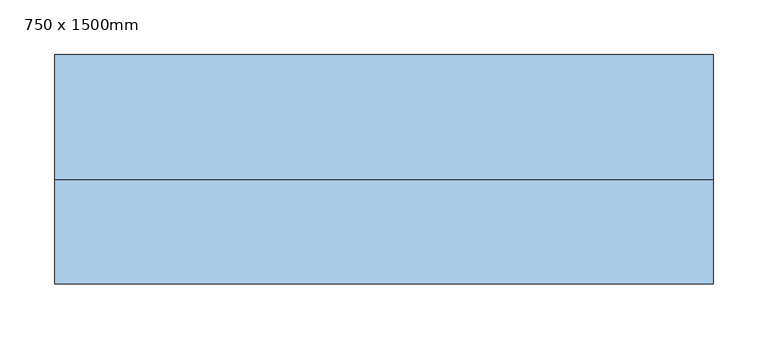
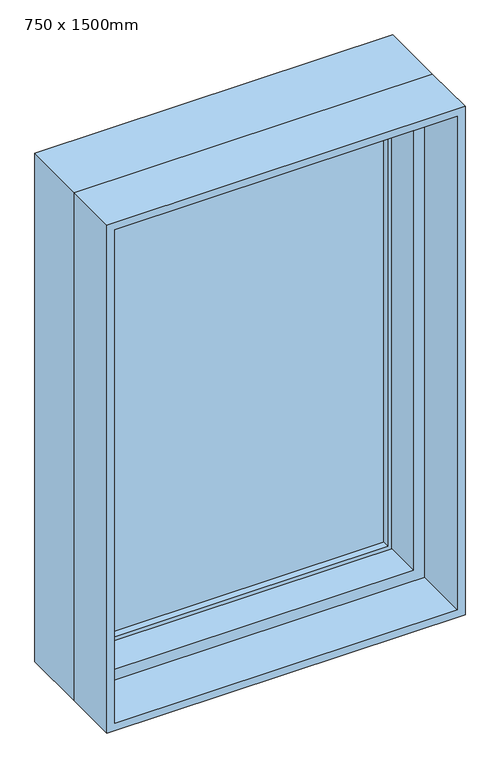
"""IFC4 building model written with IfcOpenShell, lengths in millimetres: window geometry, 750 x 1500mm."""

import ifcopenshell
import ifcopenshell.guid

model = None  # the IFC model being written
_history = None  # IfcOwnerHistory: only IFC2X3 demands one
_inside = {}  # id of a spatial element -> (the spatial element, [elements in it])
_under = {}  # id of a project, library or spatial element -> (it, [spatial elements below it])
_declared = {}  # id of a project -> (the project, [libraries it declares])
_typed = {}  # id of a type object -> (the type object, [elements of that type])
_made_of = {}  # id of a material, layer set ... -> (it, [elements and type objects made of it])


def new_model(schema):
    """Start an empty IFC model of exactly this schema.

    Asked for "IFC4X3", IfcOpenShell would pick the latest addendum, in which some entities
    have other attributes; the version numbers below select the first issue.
    IFC2X3 requires an IfcOwnerHistory on every rooted entity: one is made here for all.
    """
    global model, _history
    if schema == "IFC4X3":
        model = ifcopenshell.file(schema_version=(4, 3, 0, 0))
    else:
        model = ifcopenshell.file(schema=schema)
    _inside.clear()
    _under.clear()
    _declared.clear()
    _typed.clear()
    _made_of.clear()
    _history = None
    if model.schema == "IFC2X3":
        org = make("IfcOrganization", Name="unknown")
        user = make(
            "IfcPersonAndOrganization",
            ThePerson=make("IfcPerson", FamilyName="unknown"),
            TheOrganization=org,
        )
        app = make(
            "IfcApplication",
            ApplicationDeveloper=org,
            Version="unknown",
            ApplicationFullName="unknown",
            ApplicationIdentifier="unknown",
        )
        _history = make(
            "IfcOwnerHistory",
            OwningUser=user,
            OwningApplication=app,
            ChangeAction="ADDED",
            CreationDate=0,
        )
    return model


def make(cls, **values):
    """One entity of the class cls with the attributes given. An attribute that is None is left unset."""
    return model.create_entity(
        cls, **{name: value for name, value in values.items() if value is not None}
    )


def rooted(cls, **values):
    """An entity with a GlobalId (a new one), such as an element, a storey or a relation."""
    return make(cls, GlobalId=ifcopenshell.guid.new(), OwnerHistory=_history, **values)


def si_unit(unit_type, name, prefix=None):
    """IfcSIUnit, for example si_unit("LENGTHUNIT", "METRE", prefix="MILLI")."""
    return make("IfcSIUnit", UnitType=unit_type, Prefix=prefix, Name=name)


def assignment(units):
    """IfcUnitAssignment: the units of a project."""
    return None if units is None else make("IfcUnitAssignment", Units=units)


def point(xyz):
    """IfcCartesianPoint."""
    return None if xyz is None else make("IfcCartesianPoint", Coordinates=xyz)


def direction(xyz):
    """IfcDirection."""
    return None if xyz is None else make("IfcDirection", DirectionRatios=xyz)


def frame(location, z_axis=None, x_axis=None):
    """IfcAxis2Placement3D, a coordinate frame: its origin and axes. An axis left out is left unset."""
    return make(
        "IfcAxis2Placement3D",
        Location=point(location),
        Axis=direction(z_axis),
        RefDirection=direction(x_axis),
    )


def origin():
    """The frame at (0, 0, 0) with its axes left unset."""
    return frame((0.0, 0.0, 0.0))


def place(relative_to, where):
    """IfcLocalPlacement: puts the frame where relative to a parent placement (None: the world)."""
    return make(
        "IfcLocalPlacement", PlacementRelTo=relative_to, RelativePlacement=where
    )


def context(
    kind, dimensions, precision=None, world=None, true_north=None, identifier=None
):
    """IfcGeometricRepresentationContext, for example the 3D "Model" context."""
    return make(
        "IfcGeometricRepresentationContext",
        ContextIdentifier=identifier,
        ContextType=kind,
        CoordinateSpaceDimension=dimensions,
        Precision=precision,
        WorldCoordinateSystem=world,
        TrueNorth=true_north,
    )


def project(units=None, contexts=None):
    """IfcProject with its units and contexts."""
    return rooted(
        "IfcProject",
        Name="project",
        RepresentationContexts=contexts,
        UnitsInContext=assignment(units),
    )


def spatial(cls, under=None, at=None, **own):
    """A site, building, storey or space (cls), placed at a placement, below another one or the project."""
    s = rooted(cls, ObjectPlacement=at, **own)
    if under is not None:
        _under.setdefault(under.id(), (under, []))[1].append(s)
    return s


def polyline(points):
    """IfcPolyline through the points."""
    return make("IfcPolyline", Points=[point(p) for p in points])


def outline(outer, holes=None, kind="AREA"):
    """IfcArbitraryClosedProfileDef: a profile drawn as a closed curve; with holes, ...WithVoids."""
    if holes is None:
        return make("IfcArbitraryClosedProfileDef", ProfileType=kind, OuterCurve=outer)
    return make(
        "IfcArbitraryProfileDefWithVoids",
        ProfileType=kind,
        OuterCurve=outer,
        InnerCurves=holes,
    )


def extrude(swept, where, along, depth):
    """IfcExtrudedAreaSolid: the profile swept, set in the frame where, extruded along a direction by depth."""
    return make(
        "IfcExtrudedAreaSolid",
        SweptArea=swept,
        Position=where,
        ExtrudedDirection=direction(along),
        Depth=depth,
    )


def faces_of(points, faces, orient=None, outer=None):
    """IfcFace entities. A face is a list of loops; a loop is a list of indices into points, from 0.

    orient and outer hold one flag for each loop. By default every Orientation is true, the
    first loop of a face is its IfcFaceOuterBound and the others are IfcFaceBound.
    """
    made = []
    for i, loops in enumerate(faces):
        bounds = []
        for j, loop in enumerate(loops):
            is_outer = j == 0 if outer is None else outer[i][j]
            bounds.append(
                make(
                    "IfcFaceOuterBound" if is_outer else "IfcFaceBound",
                    Bound=make("IfcPolyLoop", Polygon=[points[k] for k in loop]),
                    Orientation=True if orient is None else orient[i][j],
                )
            )
        made.append(make("IfcFace", Bounds=bounds))
    return made


def faceted_brep(points, faces, orient=None, outer=None, voids=None):
    """IfcFacetedBrep: a solid bounded by flat faces; with voids (closed shells), ...WithVoids."""
    shared = [point(p) for p in points]
    hull = make("IfcClosedShell", CfsFaces=faces_of(shared, faces, orient, outer))
    if voids is None:
        return make("IfcFacetedBrep", Outer=hull)
    return make(
        "IfcFacetedBrepWithVoids",
        Outer=hull,
        Voids=[
            make(cls, CfsFaces=faces_of(shared, fs, o, b)) for cls, fs, o, b in voids
        ],
    )


def shape(context_of_items, identifier, shape_type, items):
    """IfcShapeRepresentation: the items that make up one representation, for example the "Body"."""
    return make(
        "IfcShapeRepresentation",
        ContextOfItems=context_of_items,
        RepresentationIdentifier=identifier,
        RepresentationType=shape_type,
        Items=items,
    )


def source(mapping_origin, context_of_items, identifier, shape_type, items):
    """IfcRepresentationMap: a shape defined once, which mapped items show again and again."""
    return make(
        "IfcRepresentationMap",
        MappingOrigin=mapping_origin,
        MappedRepresentation=shape(context_of_items, identifier, shape_type, items),
    )


def transform(
    local_origin,
    x_axis=None,
    y_axis=None,
    z_axis=None,
    scale=None,
    scale2=None,
    scale3=None,
    uniform=True,
):
    """IfcCartesianTransformationOperator3D, or its non-uniform kind. x_axis, y_axis, z_axis: its Axis1, 2, 3."""
    if uniform:
        return make(
            "IfcCartesianTransformationOperator3D",
            Axis1=direction(x_axis),
            Axis2=direction(y_axis),
            LocalOrigin=point(local_origin),
            Scale=scale,
            Axis3=direction(z_axis),
        )
    return make(
        "IfcCartesianTransformationOperator3DnonUniform",
        Axis1=direction(x_axis),
        Axis2=direction(y_axis),
        LocalOrigin=point(local_origin),
        Scale=scale,
        Axis3=direction(z_axis),
        Scale2=scale2,
        Scale3=scale3,
    )


def mapped(mapping_source, mapping_target):
    """IfcMappedItem: shows the shape of a source again, moved by a transform."""
    return make(
        "IfcMappedItem", MappingSource=mapping_source, MappingTarget=mapping_target
    )


def made_of(thing, what):
    """Note that an element or type object is made of a material, layer set ...; save() writes the relation."""
    if what is not None:
        _made_of.setdefault(what.id(), (what, []))[1].append(thing)
    return thing


def element(
    cls,
    number,
    at=None,
    inside=None,
    cuts=None,
    type_object=None,
    material=None,
    context=None,
    identifier="Body",
    shape_type=None,
    held_by="IfcProductDefinitionShape",
    body=None,
    shapes=None,
    **own,
):
    """One element of the class cls, such as IfcWall. Its Tag is "e" and its number.

    at: its placement. inside: the storey or other place that contains it. cuts: it is an
    opening in that element (IfcRelVoidsElement). A single representation is given by context,
    identifier, shape_type and body (its items); several are given by shapes. held_by: the class
    of the entity that holds the representations. save() writes the other relations.
    """
    e = rooted(cls, Tag="e%d" % number, ObjectPlacement=at, **own)
    if body is not None:
        shapes = [shape(context, identifier, shape_type, body)]
    if shapes is not None:
        e.Representation = make(held_by, Representations=shapes)
    if inside is not None:
        _inside.setdefault(inside.id(), (inside, []))[1].append(e)
    if cuts is not None:
        rooted(
            "IfcRelVoidsElement", RelatingBuildingElement=cuts, RelatedOpeningElement=e
        )
    if type_object is not None:
        _typed.setdefault(type_object.id(), (type_object, []))[1].append(e)
    return made_of(e, material)


def aggregate(whole, parts):
    """IfcRelAggregates: a whole, such as a stair, and the parts it consists of."""
    return rooted("IfcRelAggregates", RelatingObject=whole, RelatedObjects=parts)


def save(model, path):
    """Write the relations noted so far, then the file.

    IfcRelAggregates (storeys below a building ...), IfcRelContainedInSpatialStructure (elements
    in a storey), IfcRelDefinesByType, IfcRelAssociatesMaterial and IfcRelDeclares: one each for
    every whole, place, type object, material and project.
    """
    for whole, parts in _under.values():
        aggregate(whole, parts)
    for where, things in _inside.values():
        rooted(
            "IfcRelContainedInSpatialStructure",
            RelatedElements=things,
            RelatingStructure=where,
        )
    for kind, things in _typed.values():
        rooted("IfcRelDefinesByType", RelatedObjects=things, RelatingType=kind)
    for what, things in _made_of.values():
        rooted("IfcRelAssociatesMaterial", RelatedObjects=things, RelatingMaterial=what)
    for by, libraries in _declared.values():
        rooted("IfcRelDeclares", RelatingContext=by, RelatedDefinitions=libraries)
    model.write(path)


def window_750_x_1500mm_9d4d9ed1(model_context):
    return source(origin(), model_context, "Body", "SolidModel", [
        extrude(outline(polyline([(261.9, 95.0), (261.9, 88.65), (-261.9, 88.65), (-261.9, 95.0), (261.9, 95.0)])), frame((0.0, 0.0, 938.1), z_axis=(0.0, 0.0, 1.0), x_axis=(1.0, 0.0, 0.0)), (0.0, 0.0, 1.0), 823.8),
        extrude(outline(polyline([(-261.9, 75.95), (-261.9, 82.3), (261.9, 82.3), (261.9, 75.95), (-261.9, 75.95)])), frame((0.0, 0.0, 938.1), z_axis=(0.0, 0.0, 1.0), x_axis=(1.0, 0.0, 0.0)), (0.0, 0.0, 1.0), 823.8),
        extrude(outline(polyline([(912.7, 287.3), (1787.3, 287.3), (1787.3, -287.3), (912.7, -287.3), (912.7, 287.3)]), holes=[polyline([(938.1, -261.9), (1761.9, -261.9), (1761.9, 261.9), (938.1, 261.9), (938.1, -261.9)])]), frame((0.0, 63.25, 0.0), z_axis=(0.0, 1.0, 0.0), x_axis=(0.0, 0.0, 1.0)), (0.0, 0.0, 1.0), 44.45),
        extrude(outline(polyline([(1800.0, -300.0), (900.0, -300.0), (900.0, 300.0), (1800.0, 300.0), (1800.0, -300.0)]), holes=[polyline([(1787.3, 287.3), (912.7, 287.3), (912.7, -287.3), (1787.3, -287.3), (1787.3, 287.3)])]), frame((0.0, -95.0, 0.0), z_axis=(0.0, 1.0, 0.0), x_axis=(0.0, 0.0, 1.0)), (0.0, 0.0, 1.0), 94.75),
        faceted_brep([(300.0, -0.25, 1800.0), (300.0, 114.05, 1800.0), (-300.0, 114.05, 1800.0), (-300.0, -0.25, 1800.0), (-300.0, 114.05, 900.0), (-300.0, -0.25, 900.0), (300.0, 114.05, 900.0), (300.0, -0.25, 900.0), (268.25, -0.25, 1768.25), (268.25, -0.25, 931.75), (-268.25, -0.25, 931.75), (-268.25, -0.25, 1768.25), (-287.3, 114.05, 1787.3), (-287.3, 114.05, 912.7), (287.3, 114.05, 912.7), (287.3, 114.05, 1787.3), (268.25, 63.25, 1768.25), (-268.25, 63.25, 1768.25), (287.3, 63.25, 1787.3), (-287.3, 63.25, 1787.3), (-268.25, 63.25, 931.75), (-287.3, 63.25, 912.7), (268.25, 63.25, 931.75), (287.3, 63.25, 912.7)], [[[0, 1, 2, 3]], [[3, 2, 4, 5]], [[5, 4, 6, 7]], [[3, 5, 7, 0], [8, 9, 10, 11]], [[7, 6, 1, 0]], [[1, 6, 4, 2], [12, 13, 14, 15]], [[16, 8, 11, 17]], [[15, 18, 19, 12]], [[17, 11, 10, 20]], [[12, 19, 21, 13]], [[20, 10, 9, 22]], [[13, 21, 23, 14]], [[22, 9, 8, 16]], [[18, 23, 21, 19], [17, 20, 22, 16]], [[14, 23, 18, 15]]]),
    ])


if __name__ == "__main__":
    model = new_model("IFC4")
    model_context = context("Model", 3, world=origin())
    ifc_project = project(units=[si_unit("LENGTHUNIT", "METRE", prefix="MILLI")], contexts=[model_context])
    site = spatial("IfcSite", under=ifc_project)
    building = spatial("IfcBuilding", under=site)
    placement = place(None, origin())
    window_750_x_1500mm_shape = window_750_x_1500mm_9d4d9ed1(model_context)
    element("IfcWindow", 1, ObjectType="750 x 1500mm", at=placement, inside=building, context=model_context, shape_type="MappedRepresentation", body=[
        mapped(window_750_x_1500mm_shape, transform((0.0, 0.0, 0.0), x_axis=(1.0, 0.0, 0.0), y_axis=(0.0, 1.0, 0.0), z_axis=(0.0, 0.0, 1.0))),
    ])
    save(model, "model.ifc")
